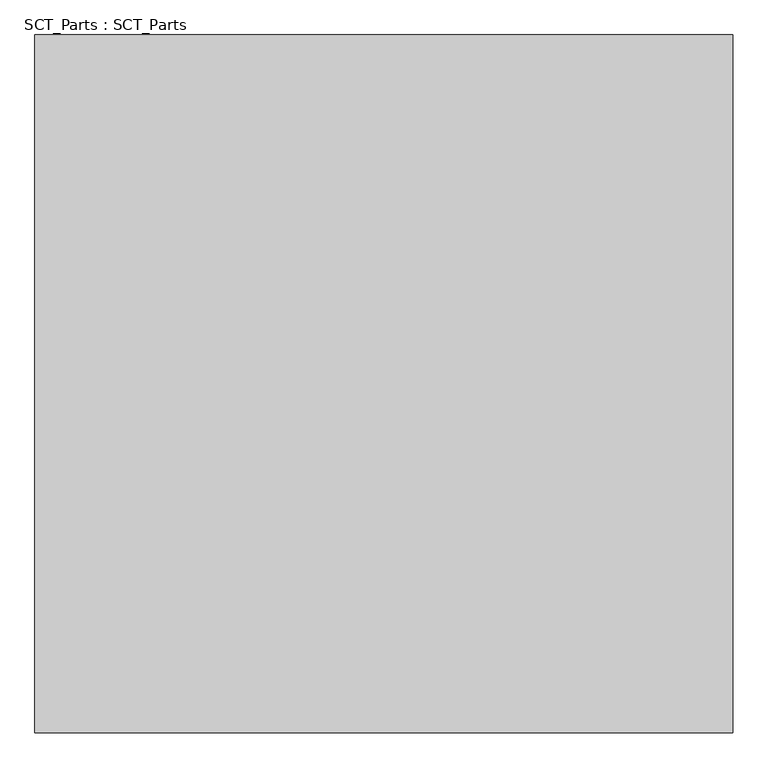
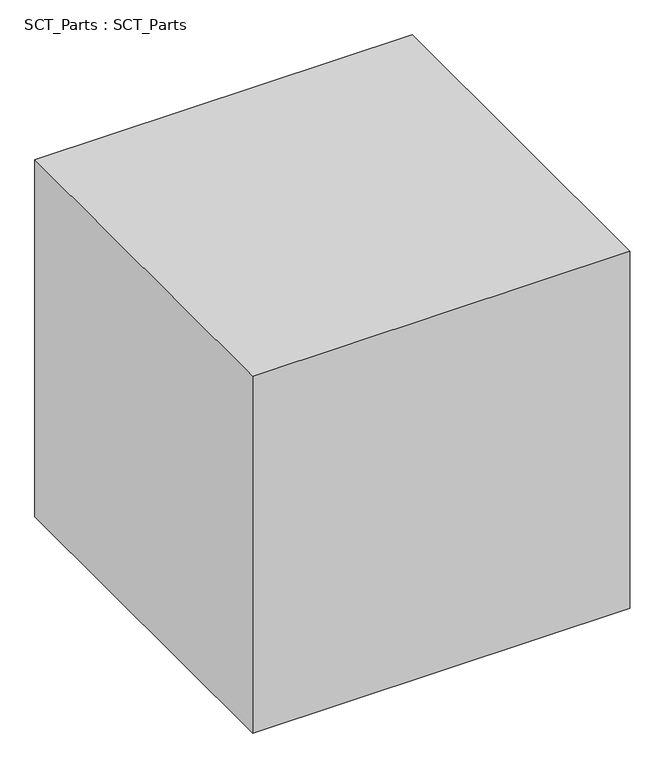
"""IFC4 building model written with IfcOpenShell, lengths in millimetres: proxy geometry, SCT_Parts : SCT_Parts."""

from ifc_helpers import new_model, si_unit, origin, origin_with_axes, place, context, project, spatial, polyline, outline, extrude, source, transform, mapped, element, save


def sct_parts_sct_parts_34ca3f5a(model_context):
    return source(origin(), model_context, "Body", "SweptSolid", [
        extrude(outline(polyline([(3000.0, 3000.0), (3000.0, 0.0), (0.0, 0.0), (0.0, 3000.0), (3000.0, 3000.0)])), origin_with_axes(), (0.0, 0.0, 1.0), 3000.0),
    ])


if __name__ == "__main__":
    model = new_model("IFC4")
    model_context = context("Model", 3, world=origin())
    ifc_project = project(units=[si_unit("LENGTHUNIT", "METRE", prefix="MILLI")], contexts=[model_context])
    site = spatial("IfcSite", under=ifc_project)
    building = spatial("IfcBuilding", under=site)
    placement = place(None, origin())
    sct_parts_sct_parts_shape = sct_parts_sct_parts_34ca3f5a(model_context)
    element("IfcBuildingElementProxy", 1, Name="SCT_Parts : SCT_Parts", ObjectType="SCT_Parts : SCT_Parts", at=placement, inside=building, context=model_context, shape_type="MappedRepresentation", body=[
        mapped(sct_parts_sct_parts_shape, transform((0.0, 0.0, 0.0), x_axis=(1.0, 0.0, 0.0), y_axis=(0.0, 1.0, 0.0), z_axis=(0.0, 0.0, 1.0))),
    ])
    save(model, "model.ifc")
